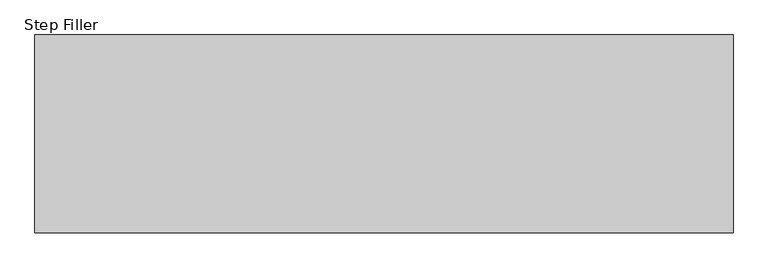
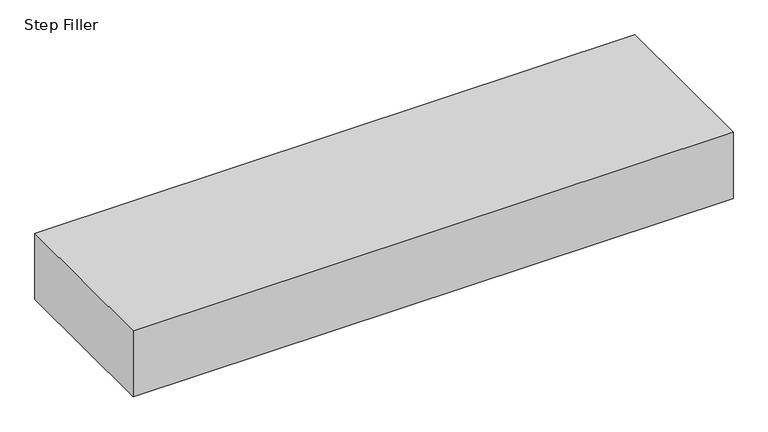
"""IFC4 building model written with IfcOpenShell, lengths in millimetres: proxy geometry, Step Filler."""

from ifc_helpers import new_model, si_unit, origin, origin_with_axes, place, context, project, spatial, polyline, outline, extrude, source, transform, mapped, element, save


def step_filler_d653d6ac(model_context):
    return source(origin(), model_context, "Body", "SweptSolid", [
        extrude(outline(polyline([(762.0, 431.8), (762.0, 0.0), (-762.0, 0.0), (-762.0, 431.8), (762.0, 431.8)])), origin_with_axes(), (0.0, 0.0, 1.0), 177.8),
    ])


if __name__ == "__main__":
    model = new_model("IFC4")
    model_context = context("Model", 3, world=origin())
    ifc_project = project(units=[si_unit("LENGTHUNIT", "METRE", prefix="MILLI")], contexts=[model_context])
    site = spatial("IfcSite", under=ifc_project)
    building = spatial("IfcBuilding", under=site)
    placement = place(None, origin())
    step_filler_shape = step_filler_d653d6ac(model_context)
    element("IfcBuildingElementProxy", 1, Name="Step Filler", ObjectType="Step Filler", at=placement, inside=building, context=model_context, shape_type="MappedRepresentation", body=[
        mapped(step_filler_shape, transform((0.0, 0.0, 0.0), x_axis=(1.0, 0.0, 0.0), y_axis=(0.0, 1.0, 0.0), z_axis=(0.0, 0.0, 1.0))),
    ])
    save(model, "model.ifc")
